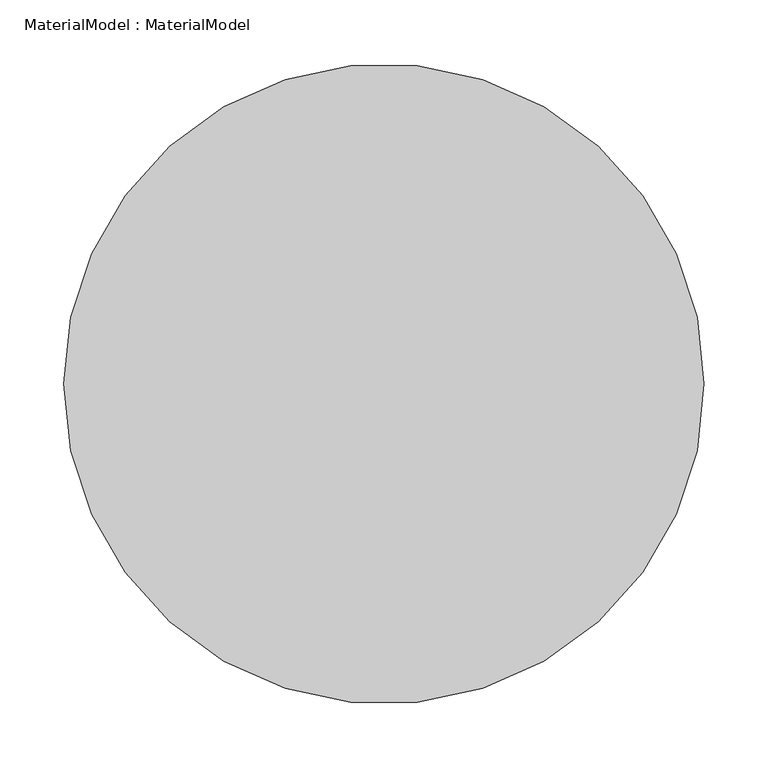
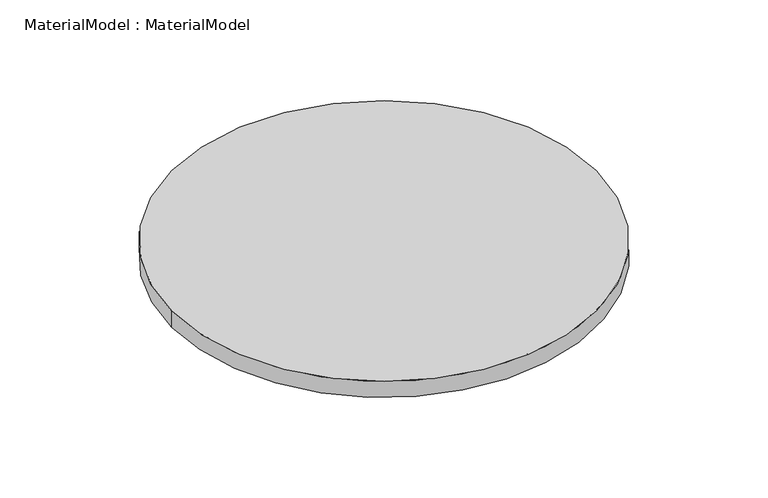
"""IFC4 building model written with IfcOpenShell, lengths in millimetres: proxy geometry, MaterialModel : MaterialModel."""

from ifc_helpers import new_model, si_unit, point, origin, origin_with_axes, origin_2d, place, context, project, spatial, circle_curve, trimmed, segment, composite_curve, outline, extrude, source, transform, mapped, element, save


def materialmodel_materialmodel_5719cecf(model_context):
    return source(origin(), model_context, "Body", "SweptSolid", [
        extrude(outline(composite_curve([segment(trimmed(circle_curve(origin_2d(), 250.0), [point((-250.0, 0.0))], [point((250.0, 0.0))], False, "CARTESIAN"), True, "CONTINUOUS"), segment(trimmed(circle_curve(origin_2d(), 250.0), [point((250.0, 0.0))], [point((-250.0, 0.0))], False, "CARTESIAN"), True, "CONTINUOUS")], self_intersect=False)), origin_with_axes(), (0.0, 0.0, 1.0), 20.0),
    ])


if __name__ == "__main__":
    model = new_model("IFC4")
    model_context = context("Model", 3, world=origin())
    ifc_project = project(units=[si_unit("LENGTHUNIT", "METRE", prefix="MILLI")], contexts=[model_context])
    site = spatial("IfcSite", under=ifc_project)
    building = spatial("IfcBuilding", under=site)
    placement = place(None, origin())
    materialmodel_materialmodel_shape = materialmodel_materialmodel_5719cecf(model_context)
    element("IfcBuildingElementProxy", 1, Name="MaterialModel : MaterialModel", ObjectType="MaterialModel : MaterialModel", at=placement, inside=building, context=model_context, shape_type="MappedRepresentation", body=[
        mapped(materialmodel_materialmodel_shape, transform((0.0, 0.0, 0.0), x_axis=(1.0, 0.0, 0.0), y_axis=(0.0, 1.0, 0.0), z_axis=(0.0, 0.0, 1.0))),
    ])
    save(model, "model.ifc")
